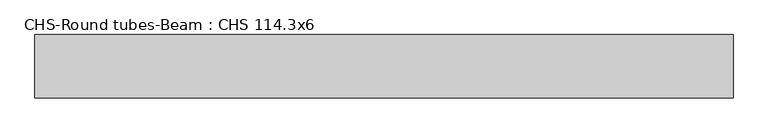
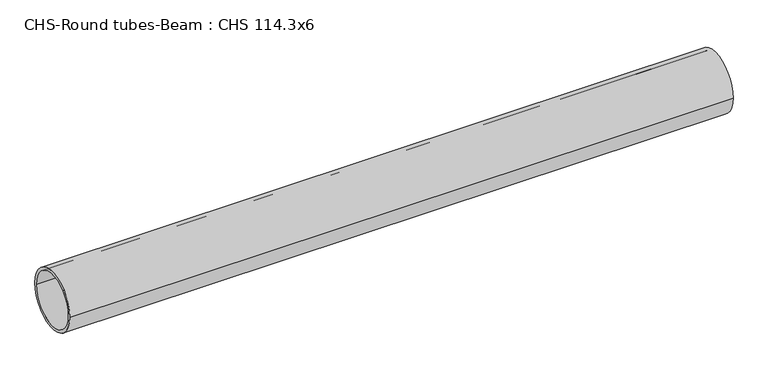
"""IFC4 building model written with IfcOpenShell, lengths in millimetres: beam geometry, CHS-Round tubes-Beam : CHS 114.3x6."""

from ifc_helpers import new_model, si_unit, point, frame, origin, origin_2d, place, context, project, spatial, circle_curve, trimmed, segment, composite_curve, outline, extrude, source, transform, mapped, element, save


def chs_round_tubes_beam_chs_114_3x6_5e3ec568(model_context):
    return source(origin(), model_context, "Body", "SweptSolid", [
        extrude(outline(composite_curve([segment(trimmed(circle_curve(origin_2d(), 57.15), [point((57.15, 0.0))], [point((-57.15, 0.0))], False, "CARTESIAN"), True, "CONTINUOUS"), segment(trimmed(circle_curve(origin_2d(), 57.15), [point((-57.15, 0.0))], [point((57.15, 0.0))], False, "CARTESIAN"), True, "CONTINUOUS")], self_intersect=False), holes=[composite_curve([segment(trimmed(circle_curve(origin_2d(), 51.15), [point((51.15, 0.0))], [point((-51.15, 0.0))], True, "CARTESIAN"), True, "CONTINUOUS"), segment(trimmed(circle_curve(origin_2d(), 51.15), [point((-51.15, 0.0))], [point((51.15, 0.0))], True, "CARTESIAN"), True, "CONTINUOUS")], self_intersect=False)]), frame((-627.638766, 0.0, 0.0), z_axis=(1.0, 0.0, 0.0), x_axis=(0.0, 1.0, 0.0)), (0.0, 0.0, 1.0), 1255.2781452),
    ])


if __name__ == "__main__":
    model = new_model("IFC4")
    model_context = context("Model", 3, world=origin())
    ifc_project = project(units=[si_unit("LENGTHUNIT", "METRE", prefix="MILLI")], contexts=[model_context])
    site = spatial("IfcSite", under=ifc_project)
    building = spatial("IfcBuilding", under=site)
    placement = place(None, origin())
    chs_round_tubes_beam_chs_114_3x6_shape = chs_round_tubes_beam_chs_114_3x6_5e3ec568(model_context)
    element("IfcBeam", 1, ObjectType="CHS-Round tubes-Beam : CHS 114.3x6", at=placement, inside=building, context=model_context, shape_type="MappedRepresentation", body=[
        mapped(chs_round_tubes_beam_chs_114_3x6_shape, transform((0.0, 0.0, 0.0), x_axis=(1.0, 0.0, 0.0), y_axis=(0.0, 1.0, 0.0), z_axis=(0.0, 0.0, 1.0))),
    ])
    save(model, "model.ifc")
